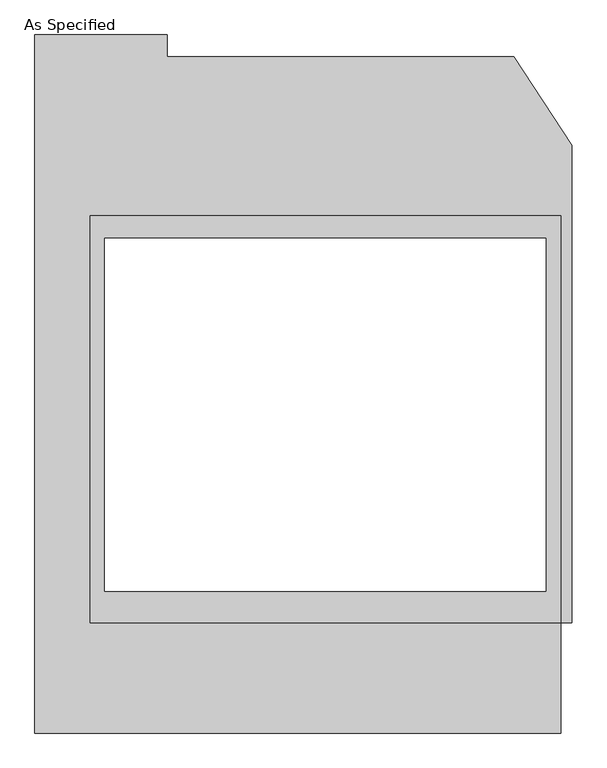
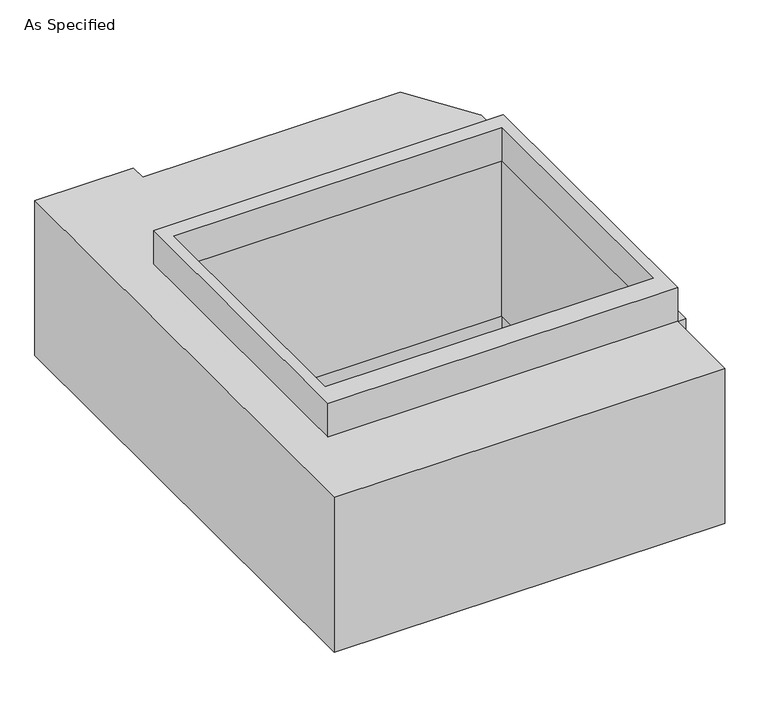
"""IFC4 building model written with IfcOpenShell, lengths in millimetres: proxy geometry, As Specified."""

import ifcopenshell
import ifcopenshell.guid

model = None  # the IFC model being written
_history = None  # IfcOwnerHistory: only IFC2X3 demands one
_inside = {}  # id of a spatial element -> (the spatial element, [elements in it])
_under = {}  # id of a project, library or spatial element -> (it, [spatial elements below it])
_declared = {}  # id of a project -> (the project, [libraries it declares])
_typed = {}  # id of a type object -> (the type object, [elements of that type])
_made_of = {}  # id of a material, layer set ... -> (it, [elements and type objects made of it])


def new_model(schema):
    """Start an empty IFC model of exactly this schema.

    Asked for "IFC4X3", IfcOpenShell would pick the latest addendum, in which some entities
    have other attributes; the version numbers below select the first issue.
    IFC2X3 requires an IfcOwnerHistory on every rooted entity: one is made here for all.
    """
    global model, _history
    if schema == "IFC4X3":
        model = ifcopenshell.file(schema_version=(4, 3, 0, 0))
    else:
        model = ifcopenshell.file(schema=schema)
    _inside.clear()
    _under.clear()
    _declared.clear()
    _typed.clear()
    _made_of.clear()
    _history = None
    if model.schema == "IFC2X3":
        org = make("IfcOrganization", Name="unknown")
        user = make(
            "IfcPersonAndOrganization",
            ThePerson=make("IfcPerson", FamilyName="unknown"),
            TheOrganization=org,
        )
        app = make(
            "IfcApplication",
            ApplicationDeveloper=org,
            Version="unknown",
            ApplicationFullName="unknown",
            ApplicationIdentifier="unknown",
        )
        _history = make(
            "IfcOwnerHistory",
            OwningUser=user,
            OwningApplication=app,
            ChangeAction="ADDED",
            CreationDate=0,
        )
    return model


def make(cls, **values):
    """One entity of the class cls with the attributes given. An attribute that is None is left unset."""
    return model.create_entity(
        cls, **{name: value for name, value in values.items() if value is not None}
    )


def rooted(cls, **values):
    """An entity with a GlobalId (a new one), such as an element, a storey or a relation."""
    return make(cls, GlobalId=ifcopenshell.guid.new(), OwnerHistory=_history, **values)


def si_unit(unit_type, name, prefix=None):
    """IfcSIUnit, for example si_unit("LENGTHUNIT", "METRE", prefix="MILLI")."""
    return make("IfcSIUnit", UnitType=unit_type, Prefix=prefix, Name=name)


def assignment(units):
    """IfcUnitAssignment: the units of a project."""
    return None if units is None else make("IfcUnitAssignment", Units=units)


def point(xyz):
    """IfcCartesianPoint."""
    return None if xyz is None else make("IfcCartesianPoint", Coordinates=xyz)


def direction(xyz):
    """IfcDirection."""
    return None if xyz is None else make("IfcDirection", DirectionRatios=xyz)


def frame(location, z_axis=None, x_axis=None):
    """IfcAxis2Placement3D, a coordinate frame: its origin and axes. An axis left out is left unset."""
    return make(
        "IfcAxis2Placement3D",
        Location=point(location),
        Axis=direction(z_axis),
        RefDirection=direction(x_axis),
    )


def origin():
    """The frame at (0, 0, 0) with its axes left unset."""
    return frame((0.0, 0.0, 0.0))


def place(relative_to, where):
    """IfcLocalPlacement: puts the frame where relative to a parent placement (None: the world)."""
    return make(
        "IfcLocalPlacement", PlacementRelTo=relative_to, RelativePlacement=where
    )


def context(
    kind, dimensions, precision=None, world=None, true_north=None, identifier=None
):
    """IfcGeometricRepresentationContext, for example the 3D "Model" context."""
    return make(
        "IfcGeometricRepresentationContext",
        ContextIdentifier=identifier,
        ContextType=kind,
        CoordinateSpaceDimension=dimensions,
        Precision=precision,
        WorldCoordinateSystem=world,
        TrueNorth=true_north,
    )


def project(units=None, contexts=None):
    """IfcProject with its units and contexts."""
    return rooted(
        "IfcProject",
        Name="project",
        RepresentationContexts=contexts,
        UnitsInContext=assignment(units),
    )


def spatial(cls, under=None, at=None, **own):
    """A site, building, storey or space (cls), placed at a placement, below another one or the project."""
    s = rooted(cls, ObjectPlacement=at, **own)
    if under is not None:
        _under.setdefault(under.id(), (under, []))[1].append(s)
    return s


def polyline(points):
    """IfcPolyline through the points."""
    return make("IfcPolyline", Points=[point(p) for p in points])


def outline(outer, holes=None, kind="AREA"):
    """IfcArbitraryClosedProfileDef: a profile drawn as a closed curve; with holes, ...WithVoids."""
    if holes is None:
        return make("IfcArbitraryClosedProfileDef", ProfileType=kind, OuterCurve=outer)
    return make(
        "IfcArbitraryProfileDefWithVoids",
        ProfileType=kind,
        OuterCurve=outer,
        InnerCurves=holes,
    )


def extrude(swept, where, along, depth):
    """IfcExtrudedAreaSolid: the profile swept, set in the frame where, extruded along a direction by depth."""
    return make(
        "IfcExtrudedAreaSolid",
        SweptArea=swept,
        Position=where,
        ExtrudedDirection=direction(along),
        Depth=depth,
    )


def shape(context_of_items, identifier, shape_type, items):
    """IfcShapeRepresentation: the items that make up one representation, for example the "Body"."""
    return make(
        "IfcShapeRepresentation",
        ContextOfItems=context_of_items,
        RepresentationIdentifier=identifier,
        RepresentationType=shape_type,
        Items=items,
    )


def source(mapping_origin, context_of_items, identifier, shape_type, items):
    """IfcRepresentationMap: a shape defined once, which mapped items show again and again."""
    return make(
        "IfcRepresentationMap",
        MappingOrigin=mapping_origin,
        MappedRepresentation=shape(context_of_items, identifier, shape_type, items),
    )


def transform(
    local_origin,
    x_axis=None,
    y_axis=None,
    z_axis=None,
    scale=None,
    scale2=None,
    scale3=None,
    uniform=True,
):
    """IfcCartesianTransformationOperator3D, or its non-uniform kind. x_axis, y_axis, z_axis: its Axis1, 2, 3."""
    if uniform:
        return make(
            "IfcCartesianTransformationOperator3D",
            Axis1=direction(x_axis),
            Axis2=direction(y_axis),
            LocalOrigin=point(local_origin),
            Scale=scale,
            Axis3=direction(z_axis),
        )
    return make(
        "IfcCartesianTransformationOperator3DnonUniform",
        Axis1=direction(x_axis),
        Axis2=direction(y_axis),
        LocalOrigin=point(local_origin),
        Scale=scale,
        Axis3=direction(z_axis),
        Scale2=scale2,
        Scale3=scale3,
    )


def mapped(mapping_source, mapping_target):
    """IfcMappedItem: shows the shape of a source again, moved by a transform."""
    return make(
        "IfcMappedItem", MappingSource=mapping_source, MappingTarget=mapping_target
    )


def made_of(thing, what):
    """Note that an element or type object is made of a material, layer set ...; save() writes the relation."""
    if what is not None:
        _made_of.setdefault(what.id(), (what, []))[1].append(thing)
    return thing


def element(
    cls,
    number,
    at=None,
    inside=None,
    cuts=None,
    type_object=None,
    material=None,
    context=None,
    identifier="Body",
    shape_type=None,
    held_by="IfcProductDefinitionShape",
    body=None,
    shapes=None,
    **own,
):
    """One element of the class cls, such as IfcWall. Its Tag is "e" and its number.

    at: its placement. inside: the storey or other place that contains it. cuts: it is an
    opening in that element (IfcRelVoidsElement). A single representation is given by context,
    identifier, shape_type and body (its items); several are given by shapes. held_by: the class
    of the entity that holds the representations. save() writes the other relations.
    """
    e = rooted(cls, Tag="e%d" % number, ObjectPlacement=at, **own)
    if body is not None:
        shapes = [shape(context, identifier, shape_type, body)]
    if shapes is not None:
        e.Representation = make(held_by, Representations=shapes)
    if inside is not None:
        _inside.setdefault(inside.id(), (inside, []))[1].append(e)
    if cuts is not None:
        rooted(
            "IfcRelVoidsElement", RelatingBuildingElement=cuts, RelatedOpeningElement=e
        )
    if type_object is not None:
        _typed.setdefault(type_object.id(), (type_object, []))[1].append(e)
    return made_of(e, material)


def aggregate(whole, parts):
    """IfcRelAggregates: a whole, such as a stair, and the parts it consists of."""
    return rooted("IfcRelAggregates", RelatingObject=whole, RelatedObjects=parts)


def save(model, path):
    """Write the relations noted so far, then the file.

    IfcRelAggregates (storeys below a building ...), IfcRelContainedInSpatialStructure (elements
    in a storey), IfcRelDefinesByType, IfcRelAssociatesMaterial and IfcRelDeclares: one each for
    every whole, place, type object, material and project.
    """
    for whole, parts in _under.values():
        aggregate(whole, parts)
    for where, things in _inside.values():
        rooted(
            "IfcRelContainedInSpatialStructure",
            RelatedElements=things,
            RelatingStructure=where,
        )
    for kind, things in _typed.values():
        rooted("IfcRelDefinesByType", RelatedObjects=things, RelatingType=kind)
    for what, things in _made_of.values():
        rooted("IfcRelAssociatesMaterial", RelatedObjects=things, RelatingMaterial=what)
    for by, libraries in _declared.values():
        rooted("IfcRelDeclares", RelatingContext=by, RelatedDefinitions=libraries)
    model.write(path)


def as_specified_509d850d(model_context):
    return source(origin(), model_context, "Body", "SweptSolid", [
        extrude(outline(polyline([(812.8, -785.5148438), (812.8, -1166.5148438), (-1003.3, -1166.5148438), (-1003.3, 1242.6751562), (-546.1, 1242.6751562), (-546.1, 1166.5148437), (651.460123, 1166.5148437), (850.9, 862.0233299), (850.9, -785.5148438), (812.8, -785.5148438)]), holes=[polyline([(762.0, -677.5251563), (762.0, 541.6748437), (-762.0, 541.6748437), (-762.0, -677.5251563), (762.0, -677.5251563)])]), frame((0.0, 0.0, -787.4), z_axis=(0.0, 0.0, 1.0), x_axis=(1.0, 0.0, 0.0)), (0.0, 0.0, 1.0), 762.0),
        extrude(outline(polyline([(812.8, 617.8351562), (812.8, -785.5148438), (-812.8, -785.5148438), (-812.8, 617.8351562), (812.8, 617.8351562)]), holes=[polyline([(-762.0, 541.6748437), (-762.0, -677.5251563), (762.0, -677.5251563), (762.0, 541.6748437), (-762.0, 541.6748437)])]), frame((0.0, 0.0, -952.5), z_axis=(0.0, 0.0, 1.0), x_axis=(1.0, 0.0, 0.0)), (0.0, 0.0, 1.0), 1092.2),
    ])


if __name__ == "__main__":
    model = new_model("IFC4")
    model_context = context("Model", 3, world=origin())
    ifc_project = project(units=[si_unit("LENGTHUNIT", "METRE", prefix="MILLI")], contexts=[model_context])
    site = spatial("IfcSite", under=ifc_project)
    building = spatial("IfcBuilding", under=site)
    placement = place(None, origin())
    as_specified_shape = as_specified_509d850d(model_context)
    element("IfcBuildingElementProxy", 1, Name="As Specified", ObjectType="As Specified", at=placement, inside=building, context=model_context, shape_type="MappedRepresentation", body=[
        mapped(as_specified_shape, transform((0.0, 0.0, 0.0), x_axis=(1.0, 0.0, 0.0), y_axis=(0.0, 1.0, 0.0), z_axis=(0.0, 0.0, 1.0))),
    ])
    save(model, "model.ifc")
